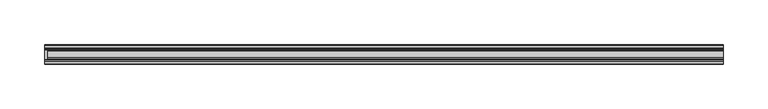
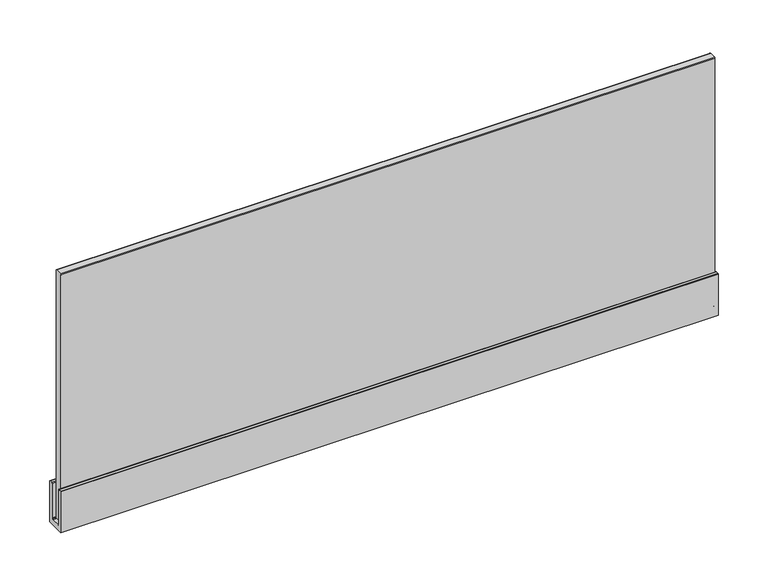
"""IFC4 building model written with IfcOpenShell, lengths in millimetres: furniture geometry."""

from ifc_helpers import new_model, si_unit, point, frame, frame_2d, origin, place, context, project, spatial, polyline, circle_curve, trimmed, segment, composite_curve, outline, extrude, source, transform, mapped, element, save


def furniture_08142cc2(model_context):
    return source(origin(), model_context, "Body", "SweptSolid", [
        extrude(outline(composite_curve([segment(trimmed(circle_curve(frame_2d((-35.8732773, 1118.5607682)), 0.639231), [point((-36.5125083, 1118.5607682))], [point((-35.8732773, 1119.1999992))], False, "CARTESIAN"), True, "CONTINUOUS"), segment(polyline([(-35.8732773, 1119.1999992), (-32.724155, 1119.1999992)]), True, "CONTINUOUS"), segment(trimmed(circle_curve(frame_2d((-32.724155, 1118.5433523)), 0.6566469), [point((-32.724155, 1119.1999992))], [point((-32.067508, 1118.5433523))], False, "CARTESIAN"), True, "CONTINUOUS"), segment(polyline([(-32.067508, 1118.5433523), (-32.067508, 1076.0200041), (-31.6955342, 1075.1219484), (-30.7974945, 1074.7500235), (-20.0024945, 1074.7500235), (-19.1044684, 1075.1219484), (-18.7324935, 1076.0200041), (-18.7324935, 1118.5008785)]), True, "CONTINUOUS"), segment(trimmed(circle_curve(frame_2d((-18.0333727, 1118.5008785)), 0.6991207), [point((-18.7324935, 1118.5008785))], [point((-18.0333727, 1119.1999992))], False, "CARTESIAN"), True, "CONTINUOUS"), segment(polyline([(-18.0333727, 1119.1999992), (-14.9543139, 1119.1999992)]), True, "CONTINUOUS"), segment(trimmed(circle_curve(frame_2d((-14.9543139, 1118.5331785)), 0.6668208), [point((-14.9543139, 1119.1999992))], [point((-14.2874932, 1118.5331785))], False, "CARTESIAN"), True, "CONTINUOUS"), segment(polyline([(-14.2874932, 1118.5331785), (-14.2874932, 1068.399975), (-36.5125083, 1068.399975), (-36.5125083, 1118.5607682)]), True, "CONTINUOUS")], self_intersect=False)), frame((0.0, 0.0, 0.0), z_axis=(1.0, 0.0, 0.0), x_axis=(0.0, 1.0, 0.0)), (0.0, 0.0, 1.0), 762.0),
        extrude(outline(composite_curve([segment(polyline([(-29.3629381, 1380.1849411), (-21.1330886, 1380.1849411)]), True, "CONTINUOUS"), segment(trimmed(circle_curve(frame_2d((-21.1330886, 1379.5411588)), 0.6437823), [point((-21.1330886, 1380.1849411))], [point((-20.4893062, 1379.5411588))], False, "CARTESIAN"), True, "CONTINUOUS"), segment(polyline([(-20.4893062, 1379.5411588), (-20.4893062, 1076.0723136)]), True, "CONTINUOUS"), segment(trimmed(circle_curve(frame_2d((-21.176606, 1076.0723136)), 0.6872998), [point((-20.4893062, 1076.0723136))], [point((-21.176606, 1075.3850138))], False, "CARTESIAN"), True, "CONTINUOUS"), segment(polyline([(-21.176606, 1075.3850138), (-29.3399947, 1075.3850138)]), True, "CONTINUOUS"), segment(trimmed(circle_curve(frame_2d((-29.3399947, 1076.0593253)), 0.6743115), [point((-29.3399947, 1075.3850138))], [point((-30.0143062, 1076.0593253))], False, "CARTESIAN"), True, "CONTINUOUS"), segment(polyline([(-30.0143062, 1076.0593253), (-30.0143062, 1379.533573)]), True, "CONTINUOUS"), segment(trimmed(circle_curve(frame_2d((-29.3629381, 1379.533573)), 0.6513681), [point((-30.0143062, 1379.533573))], [point((-29.3629381, 1380.1849411))], False, "CARTESIAN"), True, "CONTINUOUS")], self_intersect=False)), frame((3.8520186, 0.0, 0.0), z_axis=(1.0, 0.0, 0.0), x_axis=(0.0, 1.0, 0.0)), (0.0, 0.0, 1.0), 758.1479814),
    ])


if __name__ == "__main__":
    model = new_model("IFC4")
    model_context = context("Model", 3, world=origin())
    ifc_project = project(units=[si_unit("LENGTHUNIT", "METRE", prefix="MILLI")], contexts=[model_context])
    site = spatial("IfcSite", under=ifc_project)
    building = spatial("IfcBuilding", under=site)
    placement = place(None, origin())
    furniture_shape = furniture_08142cc2(model_context)
    element("IfcFurniture", 1, at=placement, inside=building, context=model_context, shape_type="MappedRepresentation", body=[
        mapped(furniture_shape, transform((0.0, 0.0, 0.0), x_axis=(1.0, 0.0, 0.0), y_axis=(0.0, 1.0, 0.0), z_axis=(0.0, 0.0, 1.0))),
    ])
    save(model, "model.ifc")
